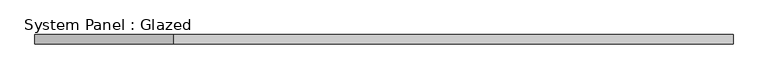
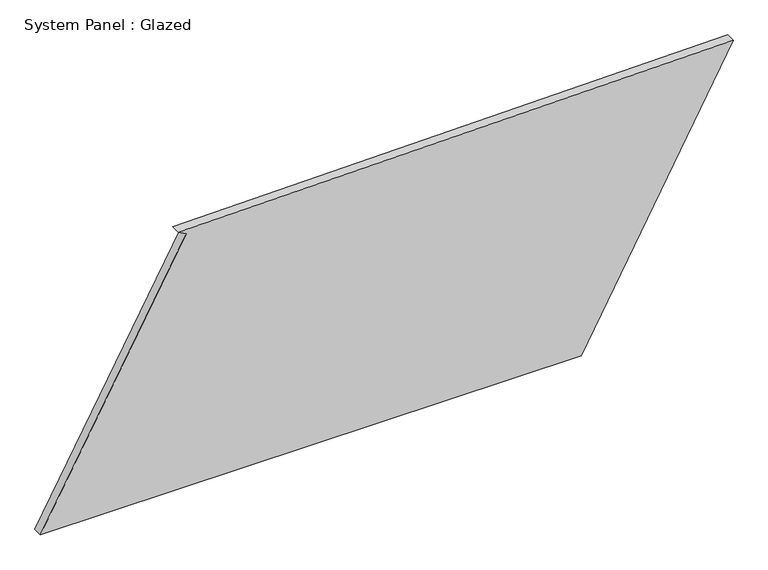
"""IFC4 building model written with IfcOpenShell, lengths in millimetres: plate geometry, System Panel : Glazed."""

from ifc_helpers import new_model, si_unit, frame, origin, place, context, project, spatial, polyline, outline, extrude, source, transform, mapped, element, save


def system_panel_glazed_38859561(model_context):
    return source(origin(), model_context, "Body", "SweptSolid", [
        extrude(outline(polyline([(0.0, -936.4256373), (0.0, 525.5686902), (757.4992451, 936.4256373), (734.1283263, -564.0400876), (722.1469759, -542.0981816), (0.0, -936.4256373)])), frame((0.0, -49.5, 0.0), z_axis=(0.0, 1.0, 0.0), x_axis=(0.0, 0.0, 1.0)), (0.0, 0.0, 1.0), 25.0),
    ])


if __name__ == "__main__":
    model = new_model("IFC4")
    model_context = context("Model", 3, world=origin())
    ifc_project = project(units=[si_unit("LENGTHUNIT", "METRE", prefix="MILLI")], contexts=[model_context])
    site = spatial("IfcSite", under=ifc_project)
    building = spatial("IfcBuilding", under=site)
    placement = place(None, origin())
    system_panel_glazed_shape = system_panel_glazed_38859561(model_context)
    element("IfcPlate", 1, ObjectType="System Panel : Glazed", at=placement, inside=building, context=model_context, shape_type="MappedRepresentation", body=[
        mapped(system_panel_glazed_shape, transform((0.0, 0.0, 0.0), x_axis=(1.0, 0.0, 0.0), y_axis=(0.0, 1.0, 0.0), z_axis=(0.0, 0.0, 1.0))),
    ])
    save(model, "model.ifc")
